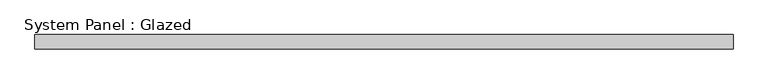
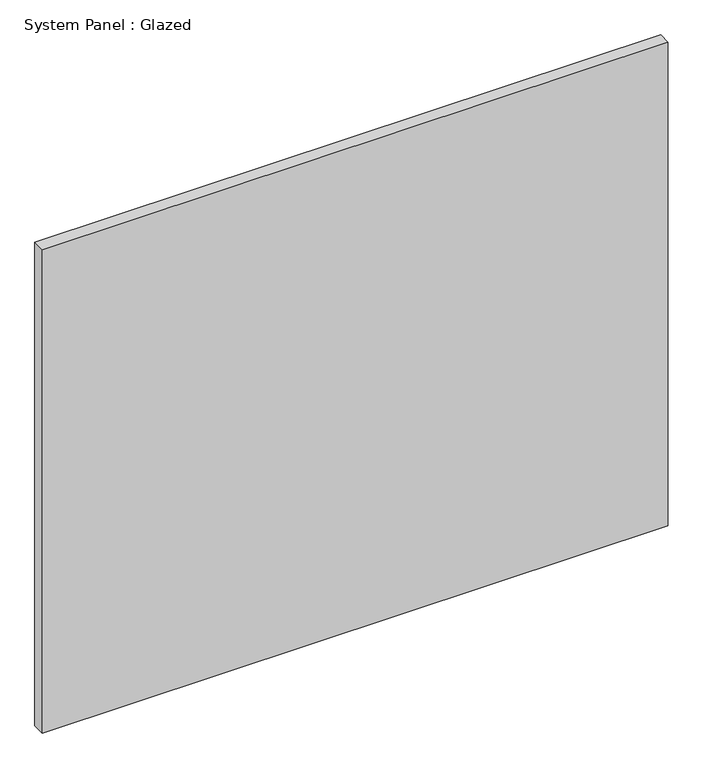
"""IFC4 building model written with IfcOpenShell, lengths in millimetres: plate geometry, System Panel : Glazed."""

import ifcopenshell
import ifcopenshell.guid

model = None  # the IFC model being written
_history = None  # IfcOwnerHistory: only IFC2X3 demands one
_inside = {}  # id of a spatial element -> (the spatial element, [elements in it])
_under = {}  # id of a project, library or spatial element -> (it, [spatial elements below it])
_declared = {}  # id of a project -> (the project, [libraries it declares])
_typed = {}  # id of a type object -> (the type object, [elements of that type])
_made_of = {}  # id of a material, layer set ... -> (it, [elements and type objects made of it])


def new_model(schema):
    """Start an empty IFC model of exactly this schema.

    Asked for "IFC4X3", IfcOpenShell would pick the latest addendum, in which some entities
    have other attributes; the version numbers below select the first issue.
    IFC2X3 requires an IfcOwnerHistory on every rooted entity: one is made here for all.
    """
    global model, _history
    if schema == "IFC4X3":
        model = ifcopenshell.file(schema_version=(4, 3, 0, 0))
    else:
        model = ifcopenshell.file(schema=schema)
    _inside.clear()
    _under.clear()
    _declared.clear()
    _typed.clear()
    _made_of.clear()
    _history = None
    if model.schema == "IFC2X3":
        org = make("IfcOrganization", Name="unknown")
        user = make(
            "IfcPersonAndOrganization",
            ThePerson=make("IfcPerson", FamilyName="unknown"),
            TheOrganization=org,
        )
        app = make(
            "IfcApplication",
            ApplicationDeveloper=org,
            Version="unknown",
            ApplicationFullName="unknown",
            ApplicationIdentifier="unknown",
        )
        _history = make(
            "IfcOwnerHistory",
            OwningUser=user,
            OwningApplication=app,
            ChangeAction="ADDED",
            CreationDate=0,
        )
    return model


def make(cls, **values):
    """One entity of the class cls with the attributes given. An attribute that is None is left unset."""
    return model.create_entity(
        cls, **{name: value for name, value in values.items() if value is not None}
    )


def rooted(cls, **values):
    """An entity with a GlobalId (a new one), such as an element, a storey or a relation."""
    return make(cls, GlobalId=ifcopenshell.guid.new(), OwnerHistory=_history, **values)


def si_unit(unit_type, name, prefix=None):
    """IfcSIUnit, for example si_unit("LENGTHUNIT", "METRE", prefix="MILLI")."""
    return make("IfcSIUnit", UnitType=unit_type, Prefix=prefix, Name=name)


def assignment(units):
    """IfcUnitAssignment: the units of a project."""
    return None if units is None else make("IfcUnitAssignment", Units=units)


def point(xyz):
    """IfcCartesianPoint."""
    return None if xyz is None else make("IfcCartesianPoint", Coordinates=xyz)


def direction(xyz):
    """IfcDirection."""
    return None if xyz is None else make("IfcDirection", DirectionRatios=xyz)


def frame(location, z_axis=None, x_axis=None):
    """IfcAxis2Placement3D, a coordinate frame: its origin and axes. An axis left out is left unset."""
    return make(
        "IfcAxis2Placement3D",
        Location=point(location),
        Axis=direction(z_axis),
        RefDirection=direction(x_axis),
    )


def origin():
    """The frame at (0, 0, 0) with its axes left unset."""
    return frame((0.0, 0.0, 0.0))


def origin_with_axes():
    """The frame at (0, 0, 0) with the z axis (0, 0, 1) and the x axis (1, 0, 0) written out."""
    return frame((0.0, 0.0, 0.0), z_axis=(0.0, 0.0, 1.0), x_axis=(1.0, 0.0, 0.0))


def place(relative_to, where):
    """IfcLocalPlacement: puts the frame where relative to a parent placement (None: the world)."""
    return make(
        "IfcLocalPlacement", PlacementRelTo=relative_to, RelativePlacement=where
    )


def context(
    kind, dimensions, precision=None, world=None, true_north=None, identifier=None
):
    """IfcGeometricRepresentationContext, for example the 3D "Model" context."""
    return make(
        "IfcGeometricRepresentationContext",
        ContextIdentifier=identifier,
        ContextType=kind,
        CoordinateSpaceDimension=dimensions,
        Precision=precision,
        WorldCoordinateSystem=world,
        TrueNorth=true_north,
    )


def project(units=None, contexts=None):
    """IfcProject with its units and contexts."""
    return rooted(
        "IfcProject",
        Name="project",
        RepresentationContexts=contexts,
        UnitsInContext=assignment(units),
    )


def spatial(cls, under=None, at=None, **own):
    """A site, building, storey or space (cls), placed at a placement, below another one or the project."""
    s = rooted(cls, ObjectPlacement=at, **own)
    if under is not None:
        _under.setdefault(under.id(), (under, []))[1].append(s)
    return s


def polyline(points):
    """IfcPolyline through the points."""
    return make("IfcPolyline", Points=[point(p) for p in points])


def outline(outer, holes=None, kind="AREA"):
    """IfcArbitraryClosedProfileDef: a profile drawn as a closed curve; with holes, ...WithVoids."""
    if holes is None:
        return make("IfcArbitraryClosedProfileDef", ProfileType=kind, OuterCurve=outer)
    return make(
        "IfcArbitraryProfileDefWithVoids",
        ProfileType=kind,
        OuterCurve=outer,
        InnerCurves=holes,
    )


def extrude(swept, where, along, depth):
    """IfcExtrudedAreaSolid: the profile swept, set in the frame where, extruded along a direction by depth."""
    return make(
        "IfcExtrudedAreaSolid",
        SweptArea=swept,
        Position=where,
        ExtrudedDirection=direction(along),
        Depth=depth,
    )


def shape(context_of_items, identifier, shape_type, items):
    """IfcShapeRepresentation: the items that make up one representation, for example the "Body"."""
    return make(
        "IfcShapeRepresentation",
        ContextOfItems=context_of_items,
        RepresentationIdentifier=identifier,
        RepresentationType=shape_type,
        Items=items,
    )


def source(mapping_origin, context_of_items, identifier, shape_type, items):
    """IfcRepresentationMap: a shape defined once, which mapped items show again and again."""
    return make(
        "IfcRepresentationMap",
        MappingOrigin=mapping_origin,
        MappedRepresentation=shape(context_of_items, identifier, shape_type, items),
    )


def transform(
    local_origin,
    x_axis=None,
    y_axis=None,
    z_axis=None,
    scale=None,
    scale2=None,
    scale3=None,
    uniform=True,
):
    """IfcCartesianTransformationOperator3D, or its non-uniform kind. x_axis, y_axis, z_axis: its Axis1, 2, 3."""
    if uniform:
        return make(
            "IfcCartesianTransformationOperator3D",
            Axis1=direction(x_axis),
            Axis2=direction(y_axis),
            LocalOrigin=point(local_origin),
            Scale=scale,
            Axis3=direction(z_axis),
        )
    return make(
        "IfcCartesianTransformationOperator3DnonUniform",
        Axis1=direction(x_axis),
        Axis2=direction(y_axis),
        LocalOrigin=point(local_origin),
        Scale=scale,
        Axis3=direction(z_axis),
        Scale2=scale2,
        Scale3=scale3,
    )


def mapped(mapping_source, mapping_target):
    """IfcMappedItem: shows the shape of a source again, moved by a transform."""
    return make(
        "IfcMappedItem", MappingSource=mapping_source, MappingTarget=mapping_target
    )


def made_of(thing, what):
    """Note that an element or type object is made of a material, layer set ...; save() writes the relation."""
    if what is not None:
        _made_of.setdefault(what.id(), (what, []))[1].append(thing)
    return thing


def element(
    cls,
    number,
    at=None,
    inside=None,
    cuts=None,
    type_object=None,
    material=None,
    context=None,
    identifier="Body",
    shape_type=None,
    held_by="IfcProductDefinitionShape",
    body=None,
    shapes=None,
    **own,
):
    """One element of the class cls, such as IfcWall. Its Tag is "e" and its number.

    at: its placement. inside: the storey or other place that contains it. cuts: it is an
    opening in that element (IfcRelVoidsElement). A single representation is given by context,
    identifier, shape_type and body (its items); several are given by shapes. held_by: the class
    of the entity that holds the representations. save() writes the other relations.
    """
    e = rooted(cls, Tag="e%d" % number, ObjectPlacement=at, **own)
    if body is not None:
        shapes = [shape(context, identifier, shape_type, body)]
    if shapes is not None:
        e.Representation = make(held_by, Representations=shapes)
    if inside is not None:
        _inside.setdefault(inside.id(), (inside, []))[1].append(e)
    if cuts is not None:
        rooted(
            "IfcRelVoidsElement", RelatingBuildingElement=cuts, RelatedOpeningElement=e
        )
    if type_object is not None:
        _typed.setdefault(type_object.id(), (type_object, []))[1].append(e)
    return made_of(e, material)


def aggregate(whole, parts):
    """IfcRelAggregates: a whole, such as a stair, and the parts it consists of."""
    return rooted("IfcRelAggregates", RelatingObject=whole, RelatedObjects=parts)


def save(model, path):
    """Write the relations noted so far, then the file.

    IfcRelAggregates (storeys below a building ...), IfcRelContainedInSpatialStructure (elements
    in a storey), IfcRelDefinesByType, IfcRelAssociatesMaterial and IfcRelDeclares: one each for
    every whole, place, type object, material and project.
    """
    for whole, parts in _under.values():
        aggregate(whole, parts)
    for where, things in _inside.values():
        rooted(
            "IfcRelContainedInSpatialStructure",
            RelatedElements=things,
            RelatingStructure=where,
        )
    for kind, things in _typed.values():
        rooted("IfcRelDefinesByType", RelatedObjects=things, RelatingType=kind)
    for what, things in _made_of.values():
        rooted("IfcRelAssociatesMaterial", RelatedObjects=things, RelatingMaterial=what)
    for by, libraries in _declared.values():
        rooted("IfcRelDeclares", RelatingContext=by, RelatedDefinitions=libraries)
    model.write(path)


def system_panel_glazed_66b7a081(model_context):
    return source(origin(), model_context, "Body", "SweptSolid", [
        extrude(outline(polyline([(2450.0, 50.0), (-2450.0, 50.0), (-2450.0, 150.0), (2450.0, 150.0), (2450.0, 50.0)])), origin_with_axes(), (0.0, 0.0, 1.0), 4000.0),
    ])


if __name__ == "__main__":
    model = new_model("IFC4")
    model_context = context("Model", 3, world=origin())
    ifc_project = project(units=[si_unit("LENGTHUNIT", "METRE", prefix="MILLI")], contexts=[model_context])
    site = spatial("IfcSite", under=ifc_project)
    building = spatial("IfcBuilding", under=site)
    placement = place(None, origin())
    system_panel_glazed_shape = system_panel_glazed_66b7a081(model_context)
    element("IfcPlate", 1, ObjectType="System Panel : Glazed", at=placement, inside=building, context=model_context, shape_type="MappedRepresentation", body=[
        mapped(system_panel_glazed_shape, transform((0.0, 0.0, 0.0), x_axis=(1.0, 0.0, 0.0), y_axis=(0.0, 1.0, 0.0), z_axis=(0.0, 0.0, 1.0))),
    ])
    save(model, "model.ifc")
